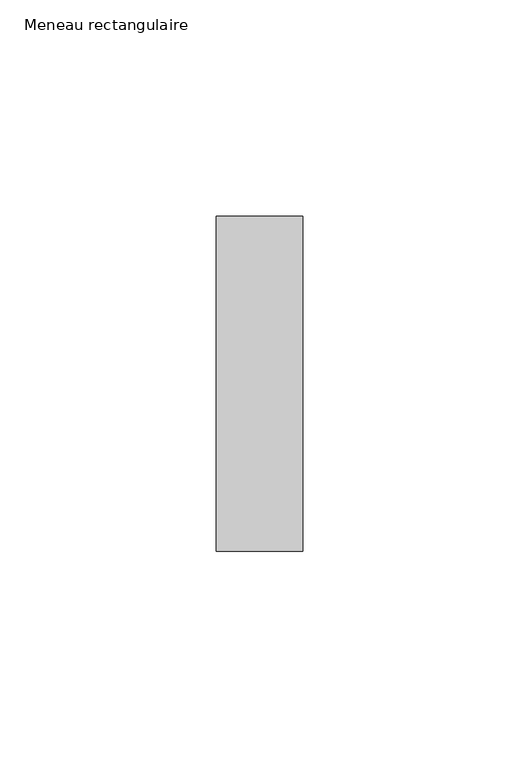
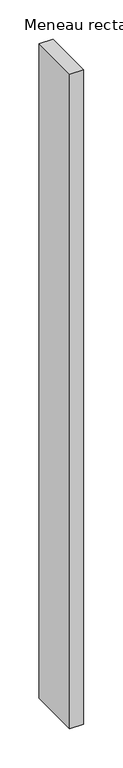
"""IFC4 building model written with IfcOpenShell, lengths in millimetres: member geometry, Meneau rectangulaire."""

from ifc_helpers import new_model, si_unit, frame, origin, place, context, project, spatial, polyline, outline, extrude, source, transform, mapped, element, save


def meneau_rectangulaire_8f880588(model_context):
    return source(origin(), model_context, "Body", "SweptSolid", [
        extrude(outline(polyline([(0.0, 38.75), (0.0, -38.75), (-20.0, -38.75), (-20.0, 38.75), (0.0, 38.75)])), frame((0.0, 0.0, -1013.1330689), z_axis=(0.0, 0.0, 1.0), x_axis=(1.0, 0.0, 0.0)), (0.0, 0.0, 1.0), 1013.1330689),
    ])


if __name__ == "__main__":
    model = new_model("IFC4")
    model_context = context("Model", 3, world=origin())
    ifc_project = project(units=[si_unit("LENGTHUNIT", "METRE", prefix="MILLI")], contexts=[model_context])
    site = spatial("IfcSite", under=ifc_project)
    building = spatial("IfcBuilding", under=site)
    placement = place(None, origin())
    meneau_rectangulaire_shape = meneau_rectangulaire_8f880588(model_context)
    element("IfcMember", 1, ObjectType="Meneau rectangulaire", at=placement, inside=building, context=model_context, shape_type="MappedRepresentation", body=[
        mapped(meneau_rectangulaire_shape, transform((0.0, 0.0, 0.0), x_axis=(1.0, 0.0, 0.0), y_axis=(0.0, 1.0, 0.0), z_axis=(0.0, 0.0, 1.0))),
    ])
    save(model, "model.ifc")
